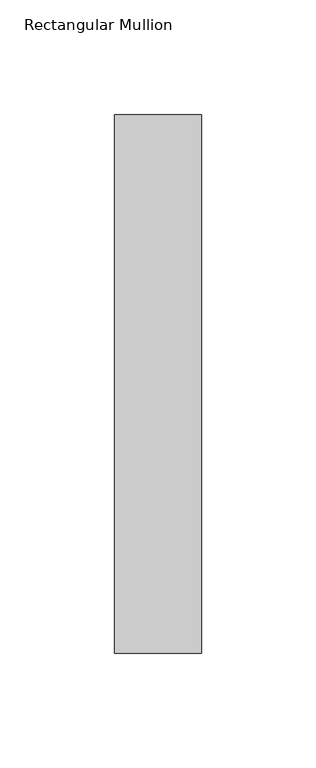
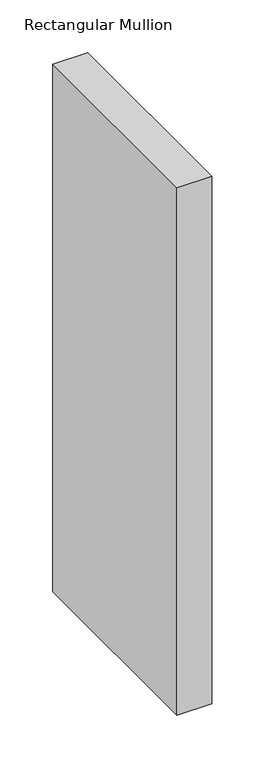
"""IFC4 building model written with IfcOpenShell, lengths in millimetres: member geometry, Rectangular Mullion."""

from ifc_helpers import new_model, si_unit, frame, origin, place, context, project, spatial, polyline, outline, extrude, source, transform, mapped, element, save


def rectangular_mullion_6e4a8dc2(model_context):
    return source(origin(), model_context, "Body", "SweptSolid", [
        extrude(outline(polyline([(0.0, 0.0), (0.0, -235.0), (-38.0, -235.0), (-38.0, 0.0), (0.0, 0.0)])), frame((0.0, 0.0, -609.5000002), z_axis=(0.0, 0.0, 1.0), x_axis=(1.0, 0.0, 0.0)), (0.0, 0.0, 1.0), 609.5000002),
    ])


if __name__ == "__main__":
    model = new_model("IFC4")
    model_context = context("Model", 3, world=origin())
    ifc_project = project(units=[si_unit("LENGTHUNIT", "METRE", prefix="MILLI")], contexts=[model_context])
    site = spatial("IfcSite", under=ifc_project)
    building = spatial("IfcBuilding", under=site)
    placement = place(None, origin())
    rectangular_mullion_shape = rectangular_mullion_6e4a8dc2(model_context)
    element("IfcMember", 1, ObjectType="Rectangular Mullion", at=placement, inside=building, context=model_context, shape_type="MappedRepresentation", body=[
        mapped(rectangular_mullion_shape, transform((0.0, 0.0, 0.0), x_axis=(1.0, 0.0, 0.0), y_axis=(0.0, 1.0, 0.0), z_axis=(0.0, 0.0, 1.0))),
    ])
    save(model, "model.ifc")
